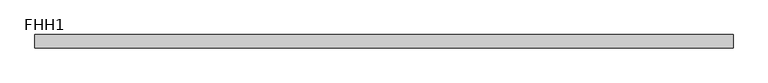
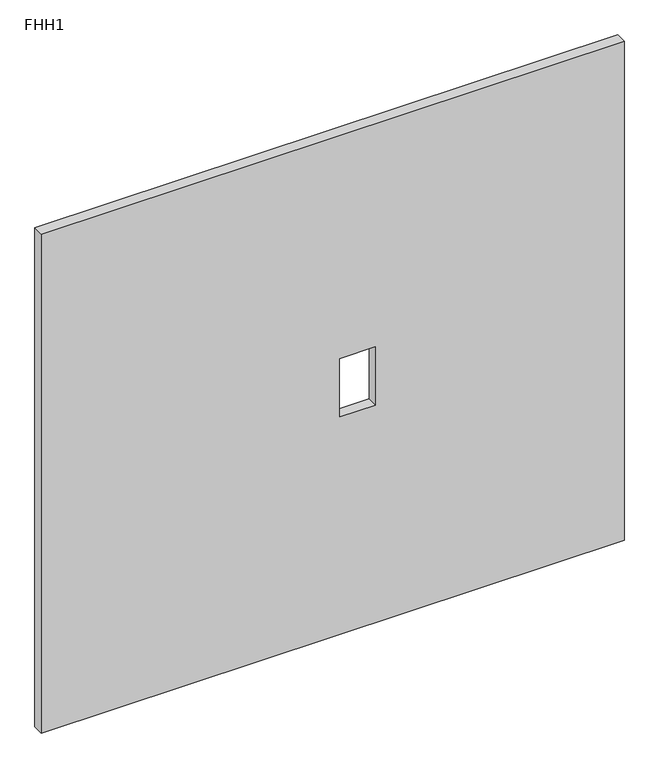
"""IFC4 building model written with IfcOpenShell, lengths in millimetres: furniture geometry, FHH1."""

import ifcopenshell
import ifcopenshell.guid

model = None  # the IFC model being written
_history = None  # IfcOwnerHistory: only IFC2X3 demands one
_inside = {}  # id of a spatial element -> (the spatial element, [elements in it])
_under = {}  # id of a project, library or spatial element -> (it, [spatial elements below it])
_declared = {}  # id of a project -> (the project, [libraries it declares])
_typed = {}  # id of a type object -> (the type object, [elements of that type])
_made_of = {}  # id of a material, layer set ... -> (it, [elements and type objects made of it])


def new_model(schema):
    """Start an empty IFC model of exactly this schema.

    Asked for "IFC4X3", IfcOpenShell would pick the latest addendum, in which some entities
    have other attributes; the version numbers below select the first issue.
    IFC2X3 requires an IfcOwnerHistory on every rooted entity: one is made here for all.
    """
    global model, _history
    if schema == "IFC4X3":
        model = ifcopenshell.file(schema_version=(4, 3, 0, 0))
    else:
        model = ifcopenshell.file(schema=schema)
    _inside.clear()
    _under.clear()
    _declared.clear()
    _typed.clear()
    _made_of.clear()
    _history = None
    if model.schema == "IFC2X3":
        org = make("IfcOrganization", Name="unknown")
        user = make(
            "IfcPersonAndOrganization",
            ThePerson=make("IfcPerson", FamilyName="unknown"),
            TheOrganization=org,
        )
        app = make(
            "IfcApplication",
            ApplicationDeveloper=org,
            Version="unknown",
            ApplicationFullName="unknown",
            ApplicationIdentifier="unknown",
        )
        _history = make(
            "IfcOwnerHistory",
            OwningUser=user,
            OwningApplication=app,
            ChangeAction="ADDED",
            CreationDate=0,
        )
    return model


def make(cls, **values):
    """One entity of the class cls with the attributes given. An attribute that is None is left unset."""
    return model.create_entity(
        cls, **{name: value for name, value in values.items() if value is not None}
    )


def rooted(cls, **values):
    """An entity with a GlobalId (a new one), such as an element, a storey or a relation."""
    return make(cls, GlobalId=ifcopenshell.guid.new(), OwnerHistory=_history, **values)


def si_unit(unit_type, name, prefix=None):
    """IfcSIUnit, for example si_unit("LENGTHUNIT", "METRE", prefix="MILLI")."""
    return make("IfcSIUnit", UnitType=unit_type, Prefix=prefix, Name=name)


def assignment(units):
    """IfcUnitAssignment: the units of a project."""
    return None if units is None else make("IfcUnitAssignment", Units=units)


def point(xyz):
    """IfcCartesianPoint."""
    return None if xyz is None else make("IfcCartesianPoint", Coordinates=xyz)


def direction(xyz):
    """IfcDirection."""
    return None if xyz is None else make("IfcDirection", DirectionRatios=xyz)


def frame(location, z_axis=None, x_axis=None):
    """IfcAxis2Placement3D, a coordinate frame: its origin and axes. An axis left out is left unset."""
    return make(
        "IfcAxis2Placement3D",
        Location=point(location),
        Axis=direction(z_axis),
        RefDirection=direction(x_axis),
    )


def origin():
    """The frame at (0, 0, 0) with its axes left unset."""
    return frame((0.0, 0.0, 0.0))


def place(relative_to, where):
    """IfcLocalPlacement: puts the frame where relative to a parent placement (None: the world)."""
    return make(
        "IfcLocalPlacement", PlacementRelTo=relative_to, RelativePlacement=where
    )


def context(
    kind, dimensions, precision=None, world=None, true_north=None, identifier=None
):
    """IfcGeometricRepresentationContext, for example the 3D "Model" context."""
    return make(
        "IfcGeometricRepresentationContext",
        ContextIdentifier=identifier,
        ContextType=kind,
        CoordinateSpaceDimension=dimensions,
        Precision=precision,
        WorldCoordinateSystem=world,
        TrueNorth=true_north,
    )


def project(units=None, contexts=None):
    """IfcProject with its units and contexts."""
    return rooted(
        "IfcProject",
        Name="project",
        RepresentationContexts=contexts,
        UnitsInContext=assignment(units),
    )


def spatial(cls, under=None, at=None, **own):
    """A site, building, storey or space (cls), placed at a placement, below another one or the project."""
    s = rooted(cls, ObjectPlacement=at, **own)
    if under is not None:
        _under.setdefault(under.id(), (under, []))[1].append(s)
    return s


def polyline(points):
    """IfcPolyline through the points."""
    return make("IfcPolyline", Points=[point(p) for p in points])


def outline(outer, holes=None, kind="AREA"):
    """IfcArbitraryClosedProfileDef: a profile drawn as a closed curve; with holes, ...WithVoids."""
    if holes is None:
        return make("IfcArbitraryClosedProfileDef", ProfileType=kind, OuterCurve=outer)
    return make(
        "IfcArbitraryProfileDefWithVoids",
        ProfileType=kind,
        OuterCurve=outer,
        InnerCurves=holes,
    )


def extrude(swept, where, along, depth):
    """IfcExtrudedAreaSolid: the profile swept, set in the frame where, extruded along a direction by depth."""
    return make(
        "IfcExtrudedAreaSolid",
        SweptArea=swept,
        Position=where,
        ExtrudedDirection=direction(along),
        Depth=depth,
    )


def shape(context_of_items, identifier, shape_type, items):
    """IfcShapeRepresentation: the items that make up one representation, for example the "Body"."""
    return make(
        "IfcShapeRepresentation",
        ContextOfItems=context_of_items,
        RepresentationIdentifier=identifier,
        RepresentationType=shape_type,
        Items=items,
    )


def source(mapping_origin, context_of_items, identifier, shape_type, items):
    """IfcRepresentationMap: a shape defined once, which mapped items show again and again."""
    return make(
        "IfcRepresentationMap",
        MappingOrigin=mapping_origin,
        MappedRepresentation=shape(context_of_items, identifier, shape_type, items),
    )


def transform(
    local_origin,
    x_axis=None,
    y_axis=None,
    z_axis=None,
    scale=None,
    scale2=None,
    scale3=None,
    uniform=True,
):
    """IfcCartesianTransformationOperator3D, or its non-uniform kind. x_axis, y_axis, z_axis: its Axis1, 2, 3."""
    if uniform:
        return make(
            "IfcCartesianTransformationOperator3D",
            Axis1=direction(x_axis),
            Axis2=direction(y_axis),
            LocalOrigin=point(local_origin),
            Scale=scale,
            Axis3=direction(z_axis),
        )
    return make(
        "IfcCartesianTransformationOperator3DnonUniform",
        Axis1=direction(x_axis),
        Axis2=direction(y_axis),
        LocalOrigin=point(local_origin),
        Scale=scale,
        Axis3=direction(z_axis),
        Scale2=scale2,
        Scale3=scale3,
    )


def mapped(mapping_source, mapping_target):
    """IfcMappedItem: shows the shape of a source again, moved by a transform."""
    return make(
        "IfcMappedItem", MappingSource=mapping_source, MappingTarget=mapping_target
    )


def made_of(thing, what):
    """Note that an element or type object is made of a material, layer set ...; save() writes the relation."""
    if what is not None:
        _made_of.setdefault(what.id(), (what, []))[1].append(thing)
    return thing


def element(
    cls,
    number,
    at=None,
    inside=None,
    cuts=None,
    type_object=None,
    material=None,
    context=None,
    identifier="Body",
    shape_type=None,
    held_by="IfcProductDefinitionShape",
    body=None,
    shapes=None,
    **own,
):
    """One element of the class cls, such as IfcWall. Its Tag is "e" and its number.

    at: its placement. inside: the storey or other place that contains it. cuts: it is an
    opening in that element (IfcRelVoidsElement). A single representation is given by context,
    identifier, shape_type and body (its items); several are given by shapes. held_by: the class
    of the entity that holds the representations. save() writes the other relations.
    """
    e = rooted(cls, Tag="e%d" % number, ObjectPlacement=at, **own)
    if body is not None:
        shapes = [shape(context, identifier, shape_type, body)]
    if shapes is not None:
        e.Representation = make(held_by, Representations=shapes)
    if inside is not None:
        _inside.setdefault(inside.id(), (inside, []))[1].append(e)
    if cuts is not None:
        rooted(
            "IfcRelVoidsElement", RelatingBuildingElement=cuts, RelatedOpeningElement=e
        )
    if type_object is not None:
        _typed.setdefault(type_object.id(), (type_object, []))[1].append(e)
    return made_of(e, material)


def aggregate(whole, parts):
    """IfcRelAggregates: a whole, such as a stair, and the parts it consists of."""
    return rooted("IfcRelAggregates", RelatingObject=whole, RelatedObjects=parts)


def save(model, path):
    """Write the relations noted so far, then the file.

    IfcRelAggregates (storeys below a building ...), IfcRelContainedInSpatialStructure (elements
    in a storey), IfcRelDefinesByType, IfcRelAssociatesMaterial and IfcRelDeclares: one each for
    every whole, place, type object, material and project.
    """
    for whole, parts in _under.values():
        aggregate(whole, parts)
    for where, things in _inside.values():
        rooted(
            "IfcRelContainedInSpatialStructure",
            RelatedElements=things,
            RelatingStructure=where,
        )
    for kind, things in _typed.values():
        rooted("IfcRelDefinesByType", RelatedObjects=things, RelatingType=kind)
    for what, things in _made_of.values():
        rooted("IfcRelAssociatesMaterial", RelatedObjects=things, RelatingMaterial=what)
    for by, libraries in _declared.values():
        rooted("IfcRelDeclares", RelatingContext=by, RelatedDefinitions=libraries)
    model.write(path)


def fhh1_65782afb(model_context):
    return source(origin(), model_context, "Body", "SweptSolid", [
        extrude(outline(polyline([(919.2736349, 506.1204), (919.2736349, -506.1204), (3.175, -506.1204), (3.175, 506.1204), (919.2736349, 506.1204)]), holes=[polyline([(509.0668, 74.295), (402.3868, 74.295), (402.3868, 12.065), (509.0668, 12.065), (509.0668, 74.295)])]), frame((0.0, -9.525, 0.0), z_axis=(0.0, 1.0, 0.0), x_axis=(0.0, 0.0, 1.0)), (0.0, 0.0, 1.0), 19.05),
    ])


if __name__ == "__main__":
    model = new_model("IFC4")
    model_context = context("Model", 3, world=origin())
    ifc_project = project(units=[si_unit("LENGTHUNIT", "METRE", prefix="MILLI")], contexts=[model_context])
    site = spatial("IfcSite", under=ifc_project)
    building = spatial("IfcBuilding", under=site)
    placement = place(None, origin())
    fhh1_shape = fhh1_65782afb(model_context)
    element("IfcFurniture", 1, ObjectType="FHH1", at=placement, inside=building, context=model_context, shape_type="MappedRepresentation", body=[
        mapped(fhh1_shape, transform((0.0, 0.0, 0.0), x_axis=(1.0, 0.0, 0.0), y_axis=(0.0, 1.0, 0.0), z_axis=(0.0, 0.0, 1.0))),
    ])
    save(model, "model.ifc")
